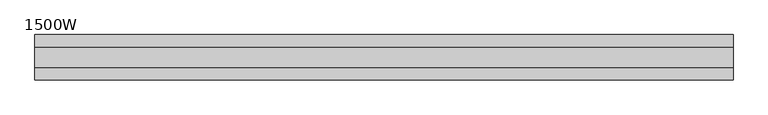
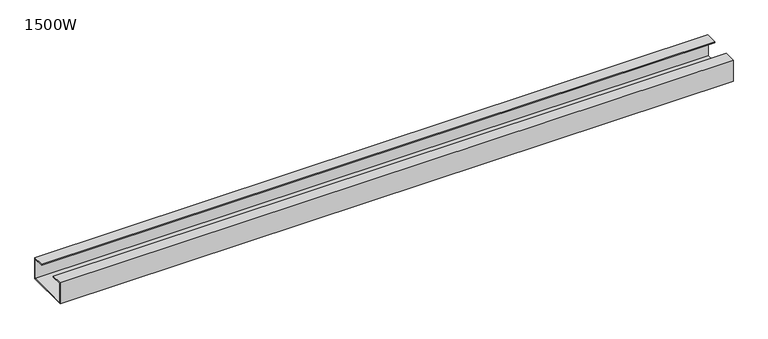
"""IFC4 building model written with IfcOpenShell, lengths in millimetres: furniture geometry, 1500W."""

from ifc_helpers import new_model, si_unit, frame, origin, place, context, project, spatial, polyline, outline, extrude, source, transform, mapped, element, save


def furniture_1500w_b5233607(model_context):
    return source(origin(), model_context, "Body", "SweptSolid", [
        extrude(outline(polyline([(-47.3, 667.0), (-47.3, 715.0), (-22.0, 715.0), (-22.0, 713.0), (-45.3, 713.0), (-45.3, 669.0), (45.3, 669.0), (45.3, 713.0), (22.0, 713.0), (22.0, 715.0), (47.3, 715.0), (47.3, 667.0), (-47.3, 667.0)])), frame((-725.0, 0.0, 0.0), z_axis=(1.0, 0.0, 0.0), x_axis=(0.0, 1.0, 0.0)), (0.0, 0.0, 1.0), 1450.0),
    ])


if __name__ == "__main__":
    model = new_model("IFC4")
    model_context = context("Model", 3, world=origin())
    ifc_project = project(units=[si_unit("LENGTHUNIT", "METRE", prefix="MILLI")], contexts=[model_context])
    site = spatial("IfcSite", under=ifc_project)
    building = spatial("IfcBuilding", under=site)
    placement = place(None, origin())
    furniture_1500w_shape = furniture_1500w_b5233607(model_context)
    element("IfcFurniture", 1, ObjectType="1500W", at=placement, inside=building, context=model_context, shape_type="MappedRepresentation", body=[
        mapped(furniture_1500w_shape, transform((0.0, 0.0, 0.0), x_axis=(1.0, 0.0, 0.0), y_axis=(0.0, 1.0, 0.0), z_axis=(0.0, 0.0, 1.0))),
    ])
    save(model, "model.ifc")
